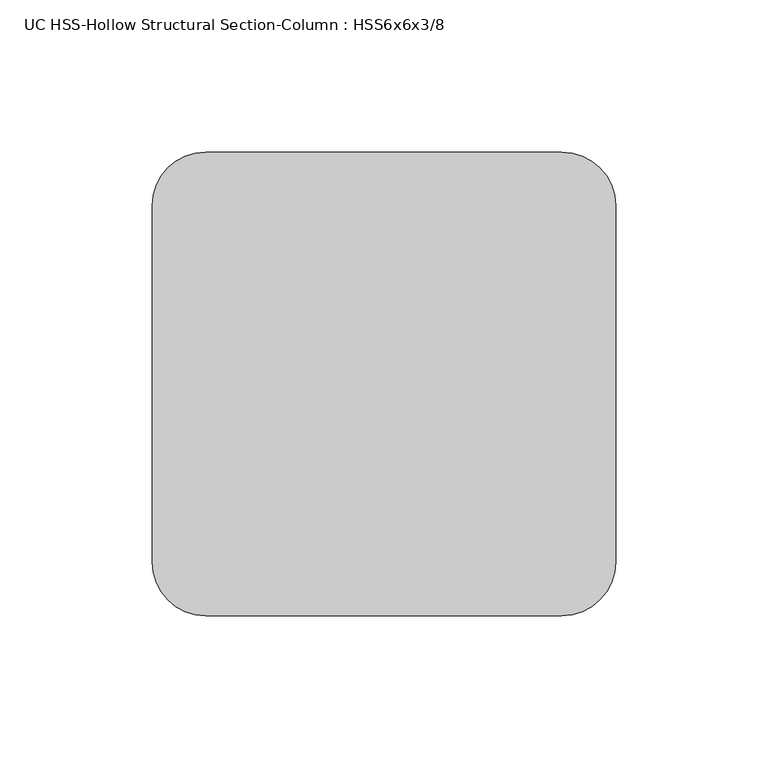
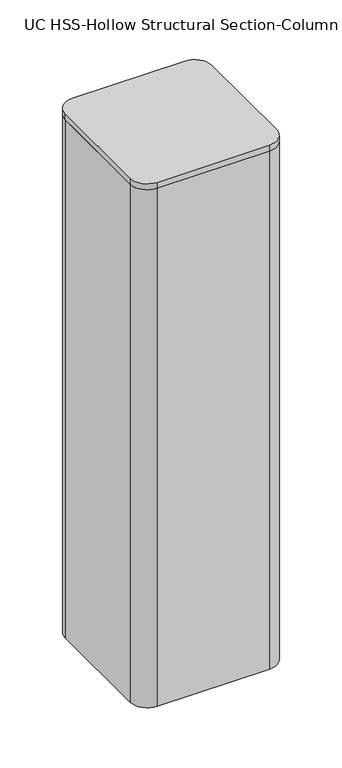
"""IFC4 building model written with IfcOpenShell, lengths in millimetres: column geometry, UC HSS-Hollow Structural Section-Column : HSS6x6x3/8."""

from ifc_helpers import new_model, si_unit, point, frame, frame_2d, origin, place, context, project, spatial, polyline, circle_curve, trimmed, segment, composite_curve, outline, extrude, source, transform, mapped, element, save


def uc_hss_hollow_structural_section_column_hss6x6x3_8_96ae8ce0(model_context):
    return source(origin(), model_context, "Body", "SweptSolid", [
        extrude(outline(composite_curve([segment(trimmed(circle_curve(frame_2d((-58.5390625, 58.5390625)), 17.6609375), [point((-76.2, 58.5390625))], [point((-58.5390625, 76.2))], False, "CARTESIAN"), True, "CONTINUOUS"), segment(polyline([(-58.5390625, 76.2), (58.5390625, 76.2)]), True, "CONTINUOUS"), segment(trimmed(circle_curve(frame_2d((58.5390625, 58.5390625)), 17.6609375), [point((58.5390625, 76.2))], [point((76.2, 58.5390625))], False, "CARTESIAN"), True, "CONTINUOUS"), segment(polyline([(76.2, 58.5390625), (76.2, -58.5390625)]), True, "CONTINUOUS"), segment(trimmed(circle_curve(frame_2d((58.5390625, -58.5390625)), 17.6609375), [point((76.2, -58.5390625))], [point((58.5390625, -76.2))], False, "CARTESIAN"), True, "CONTINUOUS"), segment(polyline([(58.5390625, -76.2), (-58.5390625, -76.2)]), True, "CONTINUOUS"), segment(trimmed(circle_curve(frame_2d((-58.5390625, -58.5390625)), 17.6609375), [point((-58.5390625, -76.2))], [point((-76.2, -58.5390625))], False, "CARTESIAN"), True, "CONTINUOUS"), segment(polyline([(-76.2, -58.5390625), (-76.2, 58.5390625)]), True, "CONTINUOUS")], self_intersect=False)), frame((0.0, 0.0, 5689.4015625), z_axis=(0.0, 0.0, 1.0), x_axis=(1.0, 0.0, 0.0)), (0.0, 0.0, 1.0), 6.35),
        extrude(outline(composite_curve([segment(trimmed(circle_curve(frame_2d((58.4708, 58.4708)), 17.7292), [point((58.4708, 76.2))], [point((76.2, 58.4708))], False, "CARTESIAN"), True, "CONTINUOUS"), segment(polyline([(76.2, 58.4708), (76.2, -58.4708)]), True, "CONTINUOUS"), segment(trimmed(circle_curve(frame_2d((58.4708, -58.4708)), 17.7292), [point((76.2, -58.4708))], [point((58.4708, -76.2))], False, "CARTESIAN"), True, "CONTINUOUS"), segment(polyline([(58.4708, -76.2), (-58.4708, -76.2)]), True, "CONTINUOUS"), segment(trimmed(circle_curve(frame_2d((-58.4708, -58.4708)), 17.7292), [point((-58.4708, -76.2))], [point((-76.2, -58.4708))], False, "CARTESIAN"), True, "CONTINUOUS"), segment(polyline([(-76.2, -58.4708), (-76.2, 58.4708)]), True, "CONTINUOUS"), segment(trimmed(circle_curve(frame_2d((-58.4708, 58.4708)), 17.7292), [point((-76.2, 58.4708))], [point((-58.4708, 76.2))], False, "CARTESIAN"), True, "CONTINUOUS"), segment(polyline([(-58.4708, 76.2), (58.4708, 76.2)]), True, "CONTINUOUS")], self_intersect=False), holes=[composite_curve([segment(polyline([(58.4708, 67.3354), (-58.4708, 67.3354)]), True, "CONTINUOUS"), segment(trimmed(circle_curve(frame_2d((-58.4708, 58.4708)), 8.8646), [point((-58.4708, 67.3354))], [point((-67.3354, 58.4708))], True, "CARTESIAN"), True, "CONTINUOUS"), segment(polyline([(-67.3354, 58.4708), (-67.3354, -58.4708)]), True, "CONTINUOUS"), segment(trimmed(circle_curve(frame_2d((-58.4708, -58.4708)), 8.8646), [point((-67.3354, -58.4708))], [point((-58.4708, -67.3354))], True, "CARTESIAN"), True, "CONTINUOUS"), segment(polyline([(-58.4708, -67.3354), (58.4708, -67.3354)]), True, "CONTINUOUS"), segment(trimmed(circle_curve(frame_2d((58.4708, -58.4708)), 8.8646), [point((58.4708, -67.3354))], [point((67.3354, -58.4708))], True, "CARTESIAN"), True, "CONTINUOUS"), segment(polyline([(67.3354, -58.4708), (67.3354, 58.4708)]), True, "CONTINUOUS"), segment(trimmed(circle_curve(frame_2d((58.4708, 58.4708)), 8.8646), [point((67.3354, 58.4708))], [point((58.4708, 67.3354))], True, "CARTESIAN"), True, "CONTINUOUS")], self_intersect=False)]), frame((0.0, 0.0, 5119.6875), z_axis=(0.0, 0.0, 1.0), x_axis=(1.0, 0.0, 0.0)), (0.0, 0.0, 1.0), 569.7140625),
    ])


if __name__ == "__main__":
    model = new_model("IFC4")
    model_context = context("Model", 3, world=origin())
    ifc_project = project(units=[si_unit("LENGTHUNIT", "METRE", prefix="MILLI")], contexts=[model_context])
    site = spatial("IfcSite", under=ifc_project)
    building = spatial("IfcBuilding", under=site)
    placement = place(None, origin())
    uc_hss_hollow_structural_section_column_hss6x6x3_8_shape = uc_hss_hollow_structural_section_column_hss6x6x3_8_96ae8ce0(model_context)
    element("IfcColumn", 1, ObjectType="UC HSS-Hollow Structural Section-Column : HSS6x6x3/8", at=placement, inside=building, context=model_context, shape_type="MappedRepresentation", body=[
        mapped(uc_hss_hollow_structural_section_column_hss6x6x3_8_shape, transform((0.0, 0.0, 0.0), x_axis=(1.0, 0.0, 0.0), y_axis=(0.0, 1.0, 0.0), z_axis=(0.0, 0.0, 1.0))),
    ])
    save(model, "model.ifc")
